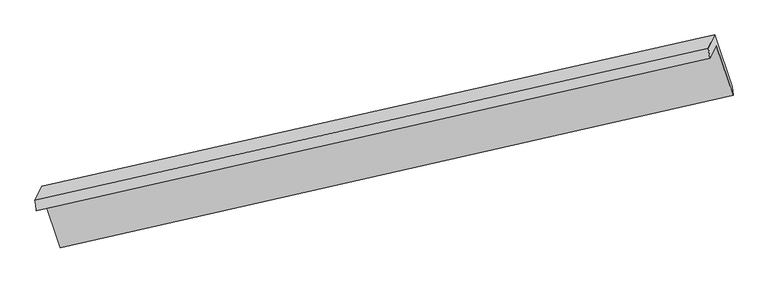
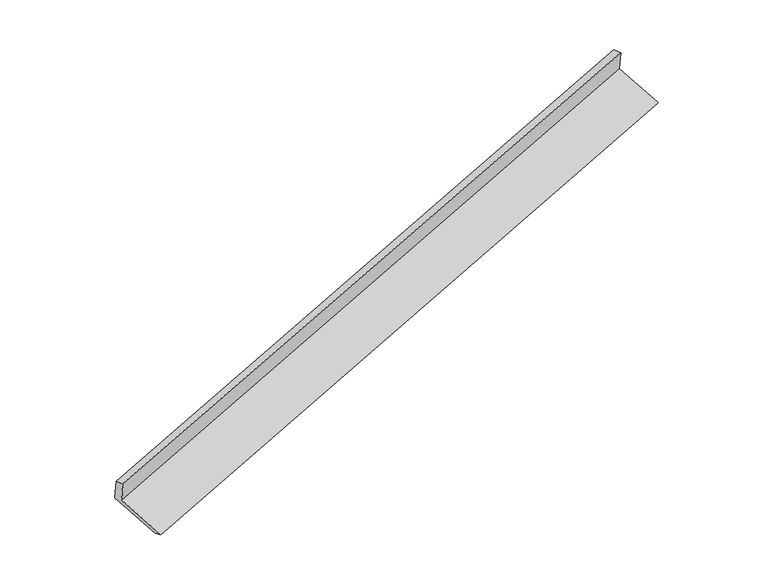
"""IFC4 building model written with IfcOpenShell, lengths in millimetres: proxy geometry."""

from ifc_helpers import new_model, si_unit, frame, origin, place, context, project, spatial, source, transform, mapped, element, save
from ifc_brep_helpers import plane_surface, spline_surface, advanced_brep


def generic_models_51de4676(model_context):
    return source(origin(), model_context, "Body", "AdvancedBrep", [
        advanced_brep(
        [(-7430.4876415, -2476.0702367, 919.6808615), (-7343.9514928, -2296.7092586, 512.0908632), (1546.6324742, -291.7935551, 3276.3695435), (1463.9115231, -463.2468833, 3665.9897522), (-7451.4469221, -2335.2577811, 884.592318), (1441.0446437, -326.3882527, 3639.8861036), (-7363.3365207, -2152.6338951, 469.5875039), (1525.3398474, -151.6720166, 3242.8510791), (-7130.6785049, -2834.3227084, 219.0047023), (1757.9978632, -833.3608299, 2992.2682774), (-7117.3948549, -2960.5210129, 268.079511), (1770.1384231, -946.6667799, 3035.643916)],
        [
            (0, 1),
            (1, 2),
            (2, 3),
            (3, 0),
            (4, 0),
            (3, 5),
            (5, 4),
            (6, 4),
            (5, 7),
            (7, 6),
            (8, 6),
            (7, 9),
            (9, 8),
            (10, 8),
            (9, 11),
            (11, 10),
            (1, 10),
            (11, 2),
        ],
        [
            plane_surface(frame((-7387.2195672, -2386.3897477, 715.8858623), z_axis=(0.30390529657533677, -0.8941158734107095, -0.328935214941272), x_axis=(0.19075988050105375, 0.3953824991832214, -0.8984894809238747))),
            spline_surface(1, 1, [[(-7451.4469221, -2335.2577811, 884.592318), (1441.0446437, -326.3882527, 3639.8861036)], [(-7430.4876415, -2476.0702367, 919.6808615), (1463.9115231, -463.2468833, 3665.9897522)]], [2, 2], [2, 2], [0.0, 1.0], [0.0, 1.0]),
            plane_surface(frame((-7407.3917214, -2243.9458381, 677.089911), z_axis=(-0.3039052965753348, 0.8941158734107146, 0.32893521494126005), x_axis=(-0.19075988050110018, -0.39538249918321927, 0.8984894809238657))),
            plane_surface(frame((-7247.0075128, -2493.4783018, 344.2961031), z_axis=(0.1912496937249507, 0.39549344144377435, -0.8983365140219298), x_axis=(-0.30506889687490923, 0.8938529522465246, 0.3285724698140403))),
            spline_surface(1, 1, [[(-7117.3948549, -2960.5210129, 268.079511), (1770.1384231, -946.6667799, 3035.643916)], [(-7130.6785049, -2834.3227084, 219.0047023), (1757.9978632, -833.3608299, 2992.2682774)]], [2, 2], [2, 2], [0.0, 1.0], [0.0, 1.0]),
            plane_surface(frame((-7230.6731738, -2628.6151357, 390.0851871), z_axis=(-0.1902700146990451, -0.3952714479457383, 0.8986422001805305), x_axis=(0.30506889687489636, -0.8938529522465253, -0.32857246981405014))),
            plane_surface(frame((1584.1774625, -502.1880529, 3308.8347786), z_axis=(0.933029279364123, 0.21142274972147584, 0.2911301852255721), x_axis=(-0.30506889687490923, 0.8938529522465246, 0.3285724698140403))),
            plane_surface(frame((-7306.2159895, -2509.2524821, 545.50596), z_axis=(-0.9330292793642668, -0.21142274972108363, -0.2911301852253959), x_axis=(-0.190759880501057, -0.39538249918325563, 0.8984894809238589))),
        ],
        [
            (0, [[1, 2, 3, 4]]),
            (1, [[5, -4, 6, 7]]),
            (2, [[8, -7, 9, 10]]),
            (3, [[11, -10, 12, 13]]),
            (4, [[14, -13, 15, 16]]),
            (5, [[17, -16, 18, -2]]),
            (6, [[-12, -9, -6, -3, -18, -15]]),
            (7, [[-1, -5, -8, -11, -14, -17]]),
        ],
    ),
    ])


if __name__ == "__main__":
    model = new_model("IFC4")
    model_context = context("Model", 3, world=origin())
    ifc_project = project(units=[si_unit("LENGTHUNIT", "METRE", prefix="MILLI")], contexts=[model_context])
    site = spatial("IfcSite", under=ifc_project)
    building = spatial("IfcBuilding", under=site)
    placement = place(None, origin())
    generic_models_shape = generic_models_51de4676(model_context)
    element("IfcBuildingElementProxy", 1, Name="Generic Models", at=placement, inside=building, context=model_context, shape_type="MappedRepresentation", body=[
        mapped(generic_models_shape, transform((0.0, 0.0, 0.0), x_axis=(1.0, 0.0, 0.0), y_axis=(0.0, 1.0, 0.0), z_axis=(0.0, 0.0, 1.0))),
    ])
    save(model, "model.ifc")
